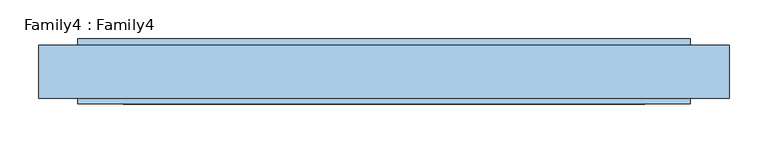
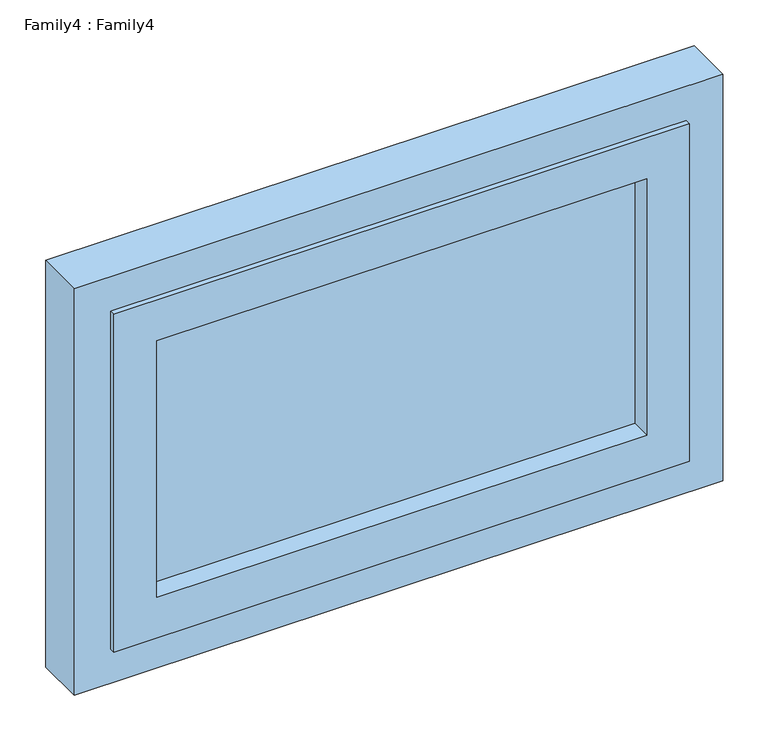
"""IFC4 building model written with IfcOpenShell, lengths in millimetres: window geometry, Family4 : Family4."""

from ifc_helpers import new_model, si_unit, frame, origin, place, context, project, spatial, polyline, outline, extrude, source, transform, mapped, element, save


def family4_family4_d2b49e99(model_context):
    return source(origin(), model_context, "Body", "SweptSolid", [
        extrude(outline(polyline([(336.0, 14.0), (336.0, 10.0), (-336.0, 10.0), (-336.0, 14.0), (336.0, 14.0)])), frame((0.0, 0.0, 909.0), z_axis=(0.0, 0.0, 1.0), x_axis=(1.0, 0.0, 0.0)), (0.0, 0.0, 1.0), 372.0),
        extrude(outline(polyline([(-336.0, -10.0), (336.0, -10.0), (336.0, -14.0), (-336.0, -14.0), (-336.0, -10.0)])), frame((0.0, 0.0, 909.0), z_axis=(0.0, 0.0, 1.0), x_axis=(1.0, 0.0, 0.0)), (0.0, 0.0, 1.0), 372.0),
        extrude(outline(polyline([(1340.0, 395.0), (1340.0, -395.0), (850.0, -395.0), (850.0, 395.0), (1340.0, 395.0)]), holes=[polyline([(909.0, 336.0), (909.0, -336.0), (1281.0, -336.0), (1281.0, 336.0), (909.0, 336.0)])]), frame((0.0, -42.0, 0.0), z_axis=(0.0, 1.0, 0.0), x_axis=(0.0, 0.0, 1.0)), (0.0, 0.0, 1.0), 84.0),
        extrude(outline(polyline([(1390.0, 445.0), (1390.0, -445.0), (800.0, -445.0), (800.0, 445.0), (1390.0, 445.0)]), holes=[polyline([(850.0, 395.0), (850.0, -395.0), (1340.0, -395.0), (1340.0, 395.0), (850.0, 395.0)])]), frame((0.0, -34.5705839, 0.0), z_axis=(0.0, 1.0, 0.0), x_axis=(0.0, 0.0, 1.0)), (0.0, 0.0, 1.0), 68.0514986),
    ])


if __name__ == "__main__":
    model = new_model("IFC4")
    model_context = context("Model", 3, world=origin())
    ifc_project = project(units=[si_unit("LENGTHUNIT", "METRE", prefix="MILLI")], contexts=[model_context])
    site = spatial("IfcSite", under=ifc_project)
    building = spatial("IfcBuilding", under=site)
    placement = place(None, origin())
    family4_family4_shape = family4_family4_d2b49e99(model_context)
    element("IfcWindow", 1, ObjectType="Family4 : Family4", at=placement, inside=building, context=model_context, shape_type="MappedRepresentation", body=[
        mapped(family4_family4_shape, transform((0.0, 0.0, 0.0), x_axis=(1.0, 0.0, 0.0), y_axis=(0.0, 1.0, 0.0), z_axis=(0.0, 0.0, 1.0))),
    ])
    save(model, "model.ifc")
